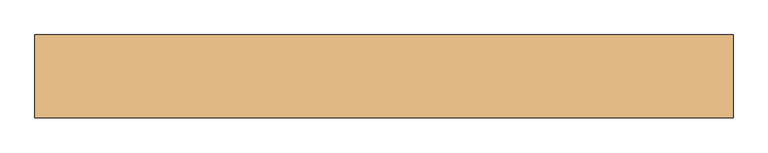
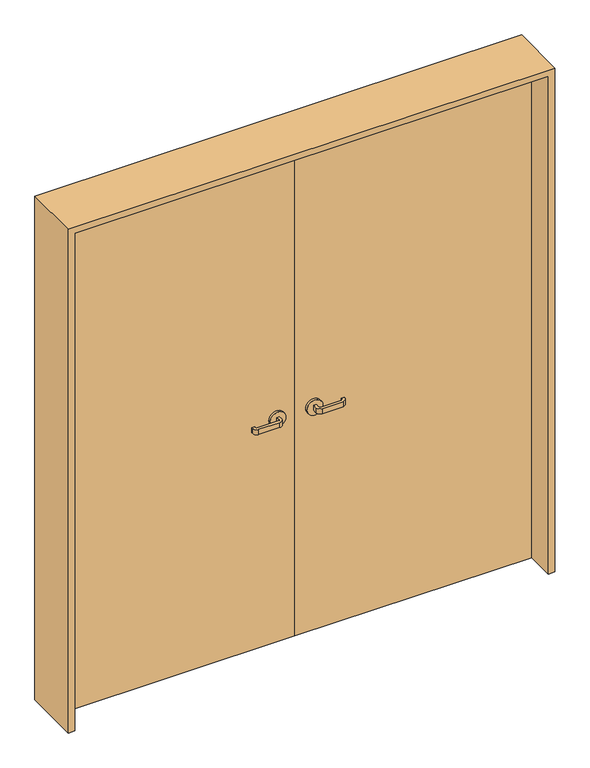
"""IFC4 building model written with IfcOpenShell, lengths in millimetres: door geometry."""

from ifc_helpers import new_model, si_unit, point, frame, frame_2d, origin, origin_with_axes, place, context, project, spatial, polyline, circle_curve, trimmed, segment, composite_curve, outline, extrude, source, transform, mapped, element, save


def door_d36aa26d(model_context):
    return source(origin(), model_context, "Body", "SweptSolid", [
        extrude(outline(polyline([(891.5283918, 40.0), (891.5283918, 0.0), (-8.4716082, 0.0), (-8.4716082, 40.0), (891.5283918, 40.0)])), origin_with_axes(), (0.0, 0.0, 1.0), 2000.0),
        extrude(outline(polyline([(-8.4716082, 40.0), (-8.4716082, 0.0), (-908.4716082, 0.0), (-908.4716082, 40.0), (-8.4716082, 40.0)])), origin_with_axes(), (0.0, 0.0, 1.0), 2000.0),
        extrude(outline(composite_curve([segment(polyline([(-83.4716082, 50.0), (-83.4716082, 65.0)]), True, "CONTINUOUS"), segment(trimmed(circle_curve(frame_2d((-88.4716082, 65.0)), 5.0), [point((-83.4716082, 65.0))], [point((-88.4716082, 70.0))], True, "CARTESIAN"), True, "CONTINUOUS"), segment(polyline([(-88.4716082, 70.0), (-168.4716082, 70.0)]), True, "CONTINUOUS"), segment(trimmed(circle_curve(frame_2d((-168.4716082, 65.0)), 5.0), [point((-168.4716082, 70.0))], [point((-173.4716082, 65.0))], True, "CARTESIAN"), True, "CONTINUOUS"), segment(polyline([(-173.4716082, 65.0), (-173.4716082, 60.0), (-183.4716082, 60.0), (-183.4716082, 65.0)]), True, "CONTINUOUS"), segment(trimmed(circle_curve(frame_2d((-168.4716082, 65.0)), 15.0), [point((-183.4716082, 65.0))], [point((-168.4716082, 80.0))], False, "CARTESIAN"), True, "CONTINUOUS"), segment(polyline([(-168.4716082, 80.0), (-88.4716082, 80.0)]), True, "CONTINUOUS"), segment(trimmed(circle_curve(frame_2d((-88.4716082, 65.0)), 15.0), [point((-88.4716082, 80.0))], [point((-73.4716082, 65.0))], False, "CARTESIAN"), True, "CONTINUOUS"), segment(polyline([(-73.4716082, 65.0), (-73.4716082, 50.0), (-83.4716082, 50.0)]), True, "CONTINUOUS")], self_intersect=False)), frame((0.0, 0.0, 890.0), z_axis=(0.0, 0.0, 1.0), x_axis=(1.0, 0.0, 0.0)), (0.0, 0.0, 1.0), 20.0),
        extrude(outline(composite_curve([segment(trimmed(circle_curve(frame_2d((900.0, -78.4716082)), 30.0), [point((900.0, -48.4716082))], [point((900.0, -108.4716082))], False, "CARTESIAN"), True, "CONTINUOUS"), segment(trimmed(circle_curve(frame_2d((900.0, -78.4716082)), 30.0), [point((900.0, -108.4716082))], [point((900.0, -48.4716082))], False, "CARTESIAN"), True, "CONTINUOUS")], self_intersect=False)), frame((0.0, 40.0, 0.0), z_axis=(0.0, 1.0, 0.0), x_axis=(0.0, 0.0, 1.0)), (0.0, 0.0, 1.0), 10.0),
        extrude(outline(composite_curve([segment(polyline([(-73.4716082, -10.0), (-73.4716082, -25.0)]), True, "CONTINUOUS"), segment(trimmed(circle_curve(frame_2d((-88.4716082, -25.0)), 15.0), [point((-73.4716082, -25.0))], [point((-88.4716082, -40.0))], False, "CARTESIAN"), True, "CONTINUOUS"), segment(polyline([(-88.4716082, -40.0), (-168.4716082, -40.0)]), True, "CONTINUOUS"), segment(trimmed(circle_curve(frame_2d((-168.4716082, -25.0)), 15.0), [point((-168.4716082, -40.0))], [point((-183.4716082, -25.0))], False, "CARTESIAN"), True, "CONTINUOUS"), segment(polyline([(-183.4716082, -25.0), (-183.4716082, -20.0), (-173.4716082, -20.0), (-173.4716082, -25.0)]), True, "CONTINUOUS"), segment(trimmed(circle_curve(frame_2d((-168.4716082, -25.0)), 5.0), [point((-173.4716082, -25.0))], [point((-168.4716082, -30.0))], True, "CARTESIAN"), True, "CONTINUOUS"), segment(polyline([(-168.4716082, -30.0), (-88.4716082, -30.0)]), True, "CONTINUOUS"), segment(trimmed(circle_curve(frame_2d((-88.4716082, -25.0)), 5.0), [point((-88.4716082, -30.0))], [point((-83.4716082, -25.0))], True, "CARTESIAN"), True, "CONTINUOUS"), segment(polyline([(-83.4716082, -25.0), (-83.4716082, -10.0), (-73.4716082, -10.0)]), True, "CONTINUOUS")], self_intersect=False)), frame((0.0, 0.0, 890.0), z_axis=(0.0, 0.0, 1.0), x_axis=(1.0, 0.0, 0.0)), (0.0, 0.0, 1.0), 20.0),
        extrude(outline(composite_curve([segment(trimmed(circle_curve(frame_2d((900.0, -78.4716082)), 30.0), [point((900.0, -48.4716082))], [point((900.0, -108.4716082))], False, "CARTESIAN"), True, "CONTINUOUS"), segment(trimmed(circle_curve(frame_2d((900.0, -78.4716082)), 30.0), [point((900.0, -108.4716082))], [point((900.0, -48.4716082))], False, "CARTESIAN"), True, "CONTINUOUS")], self_intersect=False)), frame((0.0, -10.0, 0.0), z_axis=(0.0, 1.0, 0.0), x_axis=(0.0, 0.0, 1.0)), (0.0, 0.0, 1.0), 10.0),
        extrude(outline(composite_curve([segment(polyline([(66.5283918, 50.0), (56.5283918, 50.0), (56.5283918, 65.0)]), True, "CONTINUOUS"), segment(trimmed(circle_curve(frame_2d((71.5283918, 65.0)), 15.0), [point((56.5283918, 65.0))], [point((71.5283918, 80.0))], False, "CARTESIAN"), True, "CONTINUOUS"), segment(polyline([(71.5283918, 80.0), (151.5283918, 80.0)]), True, "CONTINUOUS"), segment(trimmed(circle_curve(frame_2d((151.5283918, 65.0)), 15.0), [point((151.5283918, 80.0))], [point((166.5283918, 65.0))], False, "CARTESIAN"), True, "CONTINUOUS"), segment(polyline([(166.5283918, 65.0), (166.5283918, 60.0), (156.5283918, 60.0), (156.5283918, 65.0)]), True, "CONTINUOUS"), segment(trimmed(circle_curve(frame_2d((151.5283918, 65.0)), 5.0), [point((156.5283918, 65.0))], [point((151.5283918, 70.0))], True, "CARTESIAN"), True, "CONTINUOUS"), segment(polyline([(151.5283918, 70.0), (71.5283918, 70.0)]), True, "CONTINUOUS"), segment(trimmed(circle_curve(frame_2d((71.5283918, 65.0)), 5.0), [point((71.5283918, 70.0))], [point((66.5283918, 65.0))], True, "CARTESIAN"), True, "CONTINUOUS"), segment(polyline([(66.5283918, 65.0), (66.5283918, 50.0)]), True, "CONTINUOUS")], self_intersect=False)), frame((0.0, 0.0, 890.0), z_axis=(0.0, 0.0, 1.0), x_axis=(1.0, 0.0, 0.0)), (0.0, 0.0, 1.0), 20.0),
        extrude(outline(composite_curve([segment(trimmed(circle_curve(frame_2d((900.0, 61.5283918)), 30.0), [point((900.0, 31.5283918))], [point((900.0, 91.5283918))], False, "CARTESIAN"), True, "CONTINUOUS"), segment(trimmed(circle_curve(frame_2d((900.0, 61.5283918)), 30.0), [point((900.0, 91.5283918))], [point((900.0, 31.5283918))], False, "CARTESIAN"), True, "CONTINUOUS")], self_intersect=False)), frame((0.0, 40.0, 0.0), z_axis=(0.0, 1.0, 0.0), x_axis=(0.0, 0.0, 1.0)), (0.0, 0.0, 1.0), 10.0),
        extrude(outline(composite_curve([segment(polyline([(56.5283918, -10.0), (66.5283918, -10.0), (66.5283918, -25.0)]), True, "CONTINUOUS"), segment(trimmed(circle_curve(frame_2d((71.5283918, -25.0)), 5.0), [point((66.5283918, -25.0))], [point((71.5283918, -30.0))], True, "CARTESIAN"), True, "CONTINUOUS"), segment(polyline([(71.5283918, -30.0), (151.5283918, -30.0)]), True, "CONTINUOUS"), segment(trimmed(circle_curve(frame_2d((151.5283918, -25.0)), 5.0), [point((151.5283918, -30.0))], [point((156.5283918, -25.0))], True, "CARTESIAN"), True, "CONTINUOUS"), segment(polyline([(156.5283918, -25.0), (156.5283918, -20.0), (166.5283918, -20.0), (166.5283918, -25.0)]), True, "CONTINUOUS"), segment(trimmed(circle_curve(frame_2d((151.5283918, -25.0)), 15.0), [point((166.5283918, -25.0))], [point((151.5283918, -40.0))], False, "CARTESIAN"), True, "CONTINUOUS"), segment(polyline([(151.5283918, -40.0), (71.5283918, -40.0)]), True, "CONTINUOUS"), segment(trimmed(circle_curve(frame_2d((71.5283918, -25.0)), 15.0), [point((71.5283918, -40.0))], [point((56.5283918, -25.0))], False, "CARTESIAN"), True, "CONTINUOUS"), segment(polyline([(56.5283918, -25.0), (56.5283918, -10.0)]), True, "CONTINUOUS")], self_intersect=False)), frame((0.0, 0.0, 890.0), z_axis=(0.0, 0.0, 1.0), x_axis=(1.0, 0.0, 0.0)), (0.0, 0.0, 1.0), 20.0),
        extrude(outline(composite_curve([segment(trimmed(circle_curve(frame_2d((900.0, 61.5283918)), 30.0), [point((900.0, 31.5283918))], [point((900.0, 91.5283918))], False, "CARTESIAN"), True, "CONTINUOUS"), segment(trimmed(circle_curve(frame_2d((900.0, 61.5283918)), 30.0), [point((900.0, 91.5283918))], [point((900.0, 31.5283918))], False, "CARTESIAN"), True, "CONTINUOUS")], self_intersect=False)), frame((0.0, -10.0, 0.0), z_axis=(0.0, 1.0, 0.0), x_axis=(0.0, 0.0, 1.0)), (0.0, 0.0, 1.0), 10.0),
        extrude(outline(polyline([(0.0, -933.4716082), (0.0, -908.4716082), (2000.0, -908.4716082), (2000.0, 891.5283918), (0.0, 891.5283918), (0.0, 916.5283918), (2025.0, 916.5283918), (2025.0, -933.4716082), (0.0, -933.4716082)])), frame((0.0, -110.0, 0.0), z_axis=(0.0, 1.0, 0.0), x_axis=(0.0, 0.0, 1.0)), (0.0, 0.0, 1.0), 220.0),
    ])


if __name__ == "__main__":
    model = new_model("IFC4")
    model_context = context("Model", 3, world=origin())
    ifc_project = project(units=[si_unit("LENGTHUNIT", "METRE", prefix="MILLI")], contexts=[model_context])
    site = spatial("IfcSite", under=ifc_project)
    building = spatial("IfcBuilding", under=site)
    placement = place(None, origin())
    door_shape = door_d36aa26d(model_context)
    element("IfcDoor", 1, at=placement, inside=building, context=model_context, shape_type="MappedRepresentation", body=[
        mapped(door_shape, transform((0.0, 0.0, 0.0), x_axis=(1.0, 0.0, 0.0), y_axis=(0.0, 1.0, 0.0), z_axis=(0.0, 0.0, 1.0))),
    ])
    save(model, "model.ifc")
